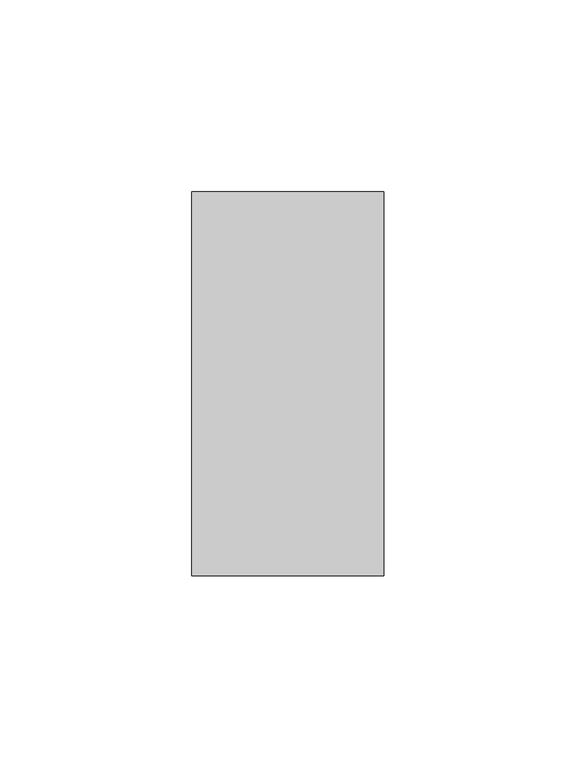
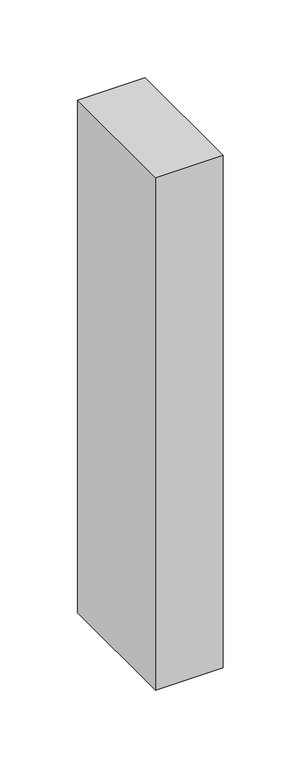
"""IFC4 building model written with IfcOpenShell, lengths in millimetres: member geometry."""

from ifc_helpers import new_model, si_unit, frame, origin, place, context, project, spatial, polyline, outline, extrude, source, transform, mapped, element, save


def member_e65908b8(model_context):
    return source(origin(), model_context, "Body", "SweptSolid", [
        extrude(outline(polyline([(0.0, 50.0), (0.0, -50.0), (-50.0, -50.0), (-50.0, 50.0), (0.0, 50.0)])), frame((0.0, 0.0, -401.7769485), z_axis=(0.0, 0.0, 1.0), x_axis=(1.0, 0.0, 0.0)), (0.0, 0.0, 1.0), 401.7769485),
    ])


if __name__ == "__main__":
    model = new_model("IFC4")
    model_context = context("Model", 3, world=origin())
    ifc_project = project(units=[si_unit("LENGTHUNIT", "METRE", prefix="MILLI")], contexts=[model_context])
    site = spatial("IfcSite", under=ifc_project)
    building = spatial("IfcBuilding", under=site)
    placement = place(None, origin())
    member_shape = member_e65908b8(model_context)
    element("IfcMember", 1, at=placement, inside=building, context=model_context, shape_type="MappedRepresentation", body=[
        mapped(member_shape, transform((0.0, 0.0, 0.0), x_axis=(1.0, 0.0, 0.0), y_axis=(0.0, 1.0, 0.0), z_axis=(0.0, 0.0, 1.0))),
    ])
    save(model, "model.ifc")
